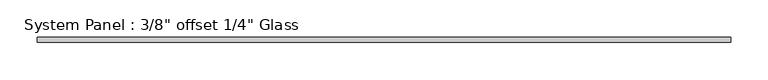
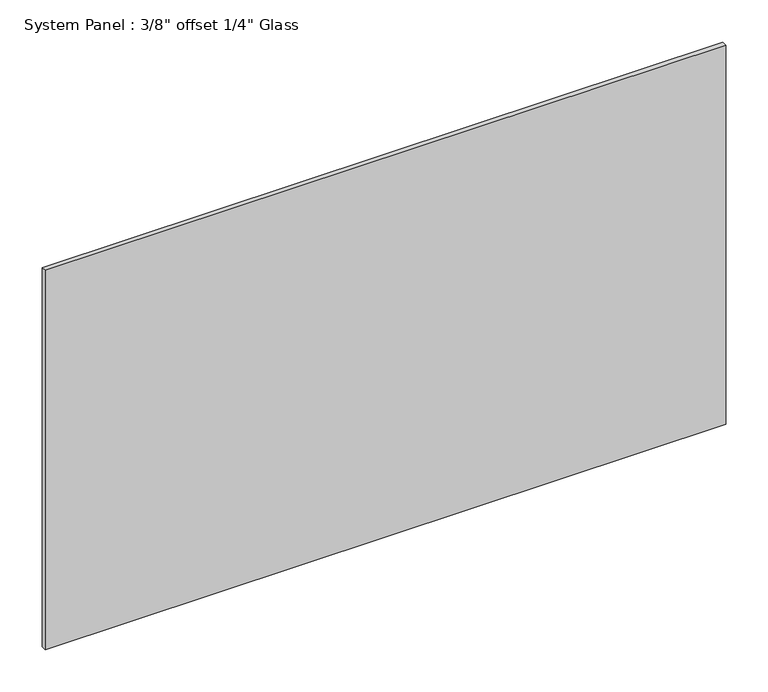
"""IFC4 building model written with IfcOpenShell, lengths in millimetres: plate geometry."""

import ifcopenshell
import ifcopenshell.guid

model = None  # the IFC model being written
_history = None  # IfcOwnerHistory: only IFC2X3 demands one
_inside = {}  # id of a spatial element -> (the spatial element, [elements in it])
_under = {}  # id of a project, library or spatial element -> (it, [spatial elements below it])
_declared = {}  # id of a project -> (the project, [libraries it declares])
_typed = {}  # id of a type object -> (the type object, [elements of that type])
_made_of = {}  # id of a material, layer set ... -> (it, [elements and type objects made of it])


def new_model(schema):
    """Start an empty IFC model of exactly this schema.

    Asked for "IFC4X3", IfcOpenShell would pick the latest addendum, in which some entities
    have other attributes; the version numbers below select the first issue.
    IFC2X3 requires an IfcOwnerHistory on every rooted entity: one is made here for all.
    """
    global model, _history
    if schema == "IFC4X3":
        model = ifcopenshell.file(schema_version=(4, 3, 0, 0))
    else:
        model = ifcopenshell.file(schema=schema)
    _inside.clear()
    _under.clear()
    _declared.clear()
    _typed.clear()
    _made_of.clear()
    _history = None
    if model.schema == "IFC2X3":
        org = make("IfcOrganization", Name="unknown")
        user = make(
            "IfcPersonAndOrganization",
            ThePerson=make("IfcPerson", FamilyName="unknown"),
            TheOrganization=org,
        )
        app = make(
            "IfcApplication",
            ApplicationDeveloper=org,
            Version="unknown",
            ApplicationFullName="unknown",
            ApplicationIdentifier="unknown",
        )
        _history = make(
            "IfcOwnerHistory",
            OwningUser=user,
            OwningApplication=app,
            ChangeAction="ADDED",
            CreationDate=0,
        )
    return model


def make(cls, **values):
    """One entity of the class cls with the attributes given. An attribute that is None is left unset."""
    return model.create_entity(
        cls, **{name: value for name, value in values.items() if value is not None}
    )


def rooted(cls, **values):
    """An entity with a GlobalId (a new one), such as an element, a storey or a relation."""
    return make(cls, GlobalId=ifcopenshell.guid.new(), OwnerHistory=_history, **values)


def si_unit(unit_type, name, prefix=None):
    """IfcSIUnit, for example si_unit("LENGTHUNIT", "METRE", prefix="MILLI")."""
    return make("IfcSIUnit", UnitType=unit_type, Prefix=prefix, Name=name)


def assignment(units):
    """IfcUnitAssignment: the units of a project."""
    return None if units is None else make("IfcUnitAssignment", Units=units)


def point(xyz):
    """IfcCartesianPoint."""
    return None if xyz is None else make("IfcCartesianPoint", Coordinates=xyz)


def direction(xyz):
    """IfcDirection."""
    return None if xyz is None else make("IfcDirection", DirectionRatios=xyz)


def frame(location, z_axis=None, x_axis=None):
    """IfcAxis2Placement3D, a coordinate frame: its origin and axes. An axis left out is left unset."""
    return make(
        "IfcAxis2Placement3D",
        Location=point(location),
        Axis=direction(z_axis),
        RefDirection=direction(x_axis),
    )


def origin():
    """The frame at (0, 0, 0) with its axes left unset."""
    return frame((0.0, 0.0, 0.0))


def origin_with_axes():
    """The frame at (0, 0, 0) with the z axis (0, 0, 1) and the x axis (1, 0, 0) written out."""
    return frame((0.0, 0.0, 0.0), z_axis=(0.0, 0.0, 1.0), x_axis=(1.0, 0.0, 0.0))


def place(relative_to, where):
    """IfcLocalPlacement: puts the frame where relative to a parent placement (None: the world)."""
    return make(
        "IfcLocalPlacement", PlacementRelTo=relative_to, RelativePlacement=where
    )


def context(
    kind, dimensions, precision=None, world=None, true_north=None, identifier=None
):
    """IfcGeometricRepresentationContext, for example the 3D "Model" context."""
    return make(
        "IfcGeometricRepresentationContext",
        ContextIdentifier=identifier,
        ContextType=kind,
        CoordinateSpaceDimension=dimensions,
        Precision=precision,
        WorldCoordinateSystem=world,
        TrueNorth=true_north,
    )


def project(units=None, contexts=None):
    """IfcProject with its units and contexts."""
    return rooted(
        "IfcProject",
        Name="project",
        RepresentationContexts=contexts,
        UnitsInContext=assignment(units),
    )


def spatial(cls, under=None, at=None, **own):
    """A site, building, storey or space (cls), placed at a placement, below another one or the project."""
    s = rooted(cls, ObjectPlacement=at, **own)
    if under is not None:
        _under.setdefault(under.id(), (under, []))[1].append(s)
    return s


def polyline(points):
    """IfcPolyline through the points."""
    return make("IfcPolyline", Points=[point(p) for p in points])


def outline(outer, holes=None, kind="AREA"):
    """IfcArbitraryClosedProfileDef: a profile drawn as a closed curve; with holes, ...WithVoids."""
    if holes is None:
        return make("IfcArbitraryClosedProfileDef", ProfileType=kind, OuterCurve=outer)
    return make(
        "IfcArbitraryProfileDefWithVoids",
        ProfileType=kind,
        OuterCurve=outer,
        InnerCurves=holes,
    )


def extrude(swept, where, along, depth):
    """IfcExtrudedAreaSolid: the profile swept, set in the frame where, extruded along a direction by depth."""
    return make(
        "IfcExtrudedAreaSolid",
        SweptArea=swept,
        Position=where,
        ExtrudedDirection=direction(along),
        Depth=depth,
    )


def shape(context_of_items, identifier, shape_type, items):
    """IfcShapeRepresentation: the items that make up one representation, for example the "Body"."""
    return make(
        "IfcShapeRepresentation",
        ContextOfItems=context_of_items,
        RepresentationIdentifier=identifier,
        RepresentationType=shape_type,
        Items=items,
    )


def source(mapping_origin, context_of_items, identifier, shape_type, items):
    """IfcRepresentationMap: a shape defined once, which mapped items show again and again."""
    return make(
        "IfcRepresentationMap",
        MappingOrigin=mapping_origin,
        MappedRepresentation=shape(context_of_items, identifier, shape_type, items),
    )


def transform(
    local_origin,
    x_axis=None,
    y_axis=None,
    z_axis=None,
    scale=None,
    scale2=None,
    scale3=None,
    uniform=True,
):
    """IfcCartesianTransformationOperator3D, or its non-uniform kind. x_axis, y_axis, z_axis: its Axis1, 2, 3."""
    if uniform:
        return make(
            "IfcCartesianTransformationOperator3D",
            Axis1=direction(x_axis),
            Axis2=direction(y_axis),
            LocalOrigin=point(local_origin),
            Scale=scale,
            Axis3=direction(z_axis),
        )
    return make(
        "IfcCartesianTransformationOperator3DnonUniform",
        Axis1=direction(x_axis),
        Axis2=direction(y_axis),
        LocalOrigin=point(local_origin),
        Scale=scale,
        Axis3=direction(z_axis),
        Scale2=scale2,
        Scale3=scale3,
    )


def mapped(mapping_source, mapping_target):
    """IfcMappedItem: shows the shape of a source again, moved by a transform."""
    return make(
        "IfcMappedItem", MappingSource=mapping_source, MappingTarget=mapping_target
    )


def made_of(thing, what):
    """Note that an element or type object is made of a material, layer set ...; save() writes the relation."""
    if what is not None:
        _made_of.setdefault(what.id(), (what, []))[1].append(thing)
    return thing


def element(
    cls,
    number,
    at=None,
    inside=None,
    cuts=None,
    type_object=None,
    material=None,
    context=None,
    identifier="Body",
    shape_type=None,
    held_by="IfcProductDefinitionShape",
    body=None,
    shapes=None,
    **own,
):
    """One element of the class cls, such as IfcWall. Its Tag is "e" and its number.

    at: its placement. inside: the storey or other place that contains it. cuts: it is an
    opening in that element (IfcRelVoidsElement). A single representation is given by context,
    identifier, shape_type and body (its items); several are given by shapes. held_by: the class
    of the entity that holds the representations. save() writes the other relations.
    """
    e = rooted(cls, Tag="e%d" % number, ObjectPlacement=at, **own)
    if body is not None:
        shapes = [shape(context, identifier, shape_type, body)]
    if shapes is not None:
        e.Representation = make(held_by, Representations=shapes)
    if inside is not None:
        _inside.setdefault(inside.id(), (inside, []))[1].append(e)
    if cuts is not None:
        rooted(
            "IfcRelVoidsElement", RelatingBuildingElement=cuts, RelatedOpeningElement=e
        )
    if type_object is not None:
        _typed.setdefault(type_object.id(), (type_object, []))[1].append(e)
    return made_of(e, material)


def aggregate(whole, parts):
    """IfcRelAggregates: a whole, such as a stair, and the parts it consists of."""
    return rooted("IfcRelAggregates", RelatingObject=whole, RelatedObjects=parts)


def save(model, path):
    """Write the relations noted so far, then the file.

    IfcRelAggregates (storeys below a building ...), IfcRelContainedInSpatialStructure (elements
    in a storey), IfcRelDefinesByType, IfcRelAssociatesMaterial and IfcRelDeclares: one each for
    every whole, place, type object, material and project.
    """
    for whole, parts in _under.values():
        aggregate(whole, parts)
    for where, things in _inside.values():
        rooted(
            "IfcRelContainedInSpatialStructure",
            RelatedElements=things,
            RelatingStructure=where,
        )
    for kind, things in _typed.values():
        rooted("IfcRelDefinesByType", RelatedObjects=things, RelatingType=kind)
    for what, things in _made_of.values():
        rooted("IfcRelAssociatesMaterial", RelatedObjects=things, RelatingMaterial=what)
    for by, libraries in _declared.values():
        rooted("IfcRelDeclares", RelatingContext=by, RelatedDefinitions=libraries)
    model.write(path)


def plate_5afd90a2(model_context):
    return source(origin(), model_context, "Body", "SweptSolid", [
        extrude(outline(polyline([(463.55, -12.7), (-463.55, -12.7), (-463.55, -6.35), (463.55, -6.35), (463.55, -12.7)])), origin_with_axes(), (0.0, 0.0, 1.0), 546.1),
    ])


if __name__ == "__main__":
    model = new_model("IFC4")
    model_context = context("Model", 3, world=origin())
    ifc_project = project(units=[si_unit("LENGTHUNIT", "METRE", prefix="MILLI")], contexts=[model_context])
    site = spatial("IfcSite", under=ifc_project)
    building = spatial("IfcBuilding", under=site)
    placement = place(None, origin())
    plate_shape = plate_5afd90a2(model_context)
    element("IfcPlate", 1, ObjectType="System Panel : 3/8\" offset 1/4\" Glass", at=placement, inside=building, context=model_context, shape_type="MappedRepresentation", body=[
        mapped(plate_shape, transform((0.0, 0.0, 0.0), x_axis=(1.0, 0.0, 0.0), y_axis=(0.0, 1.0, 0.0), z_axis=(0.0, 0.0, 1.0))),
    ])
    save(model, "model.ifc")
